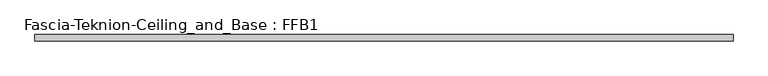
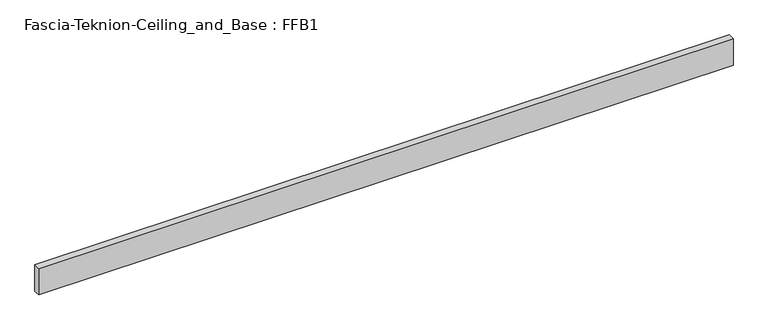
"""IFC4 building model written with IfcOpenShell, lengths in millimetres: proxy geometry, Fascia-Teknion-Ceiling_and_Base : FFB1."""

from ifc_helpers import new_model, si_unit, origin, origin_with_axes, place, context, project, spatial, polyline, outline, extrude, source, transform, mapped, element, save


def fascia_teknion_ceiling_and_base_ffb1_68f9ae85(model_context):
    return source(origin(), model_context, "Body", "SweptSolid", [
        extrude(outline(polyline([(1012.8305563, 0.0), (1012.8305563, -19.05), (-1012.8305562, -19.05), (-1012.8305562, 0.0), (1012.8305563, 0.0)])), origin_with_axes(), (0.0, 0.0, 1.0), 81.28),
    ])


if __name__ == "__main__":
    model = new_model("IFC4")
    model_context = context("Model", 3, world=origin())
    ifc_project = project(units=[si_unit("LENGTHUNIT", "METRE", prefix="MILLI")], contexts=[model_context])
    site = spatial("IfcSite", under=ifc_project)
    building = spatial("IfcBuilding", under=site)
    placement = place(None, origin())
    fascia_teknion_ceiling_and_base_ffb1_shape = fascia_teknion_ceiling_and_base_ffb1_68f9ae85(model_context)
    element("IfcBuildingElementProxy", 1, Name="Fascia-Teknion-Ceiling_and_Base : FFB1", ObjectType="Fascia-Teknion-Ceiling_and_Base : FFB1", at=placement, inside=building, context=model_context, shape_type="MappedRepresentation", body=[
        mapped(fascia_teknion_ceiling_and_base_ffb1_shape, transform((0.0, 0.0, 0.0), x_axis=(1.0, 0.0, 0.0), y_axis=(0.0, 1.0, 0.0), z_axis=(0.0, 0.0, 1.0))),
    ])
    save(model, "model.ifc")
